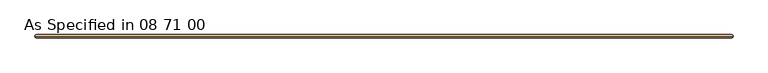
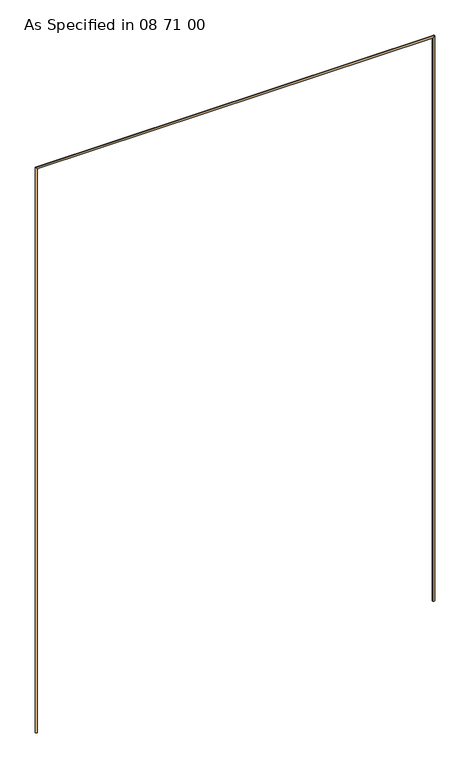
"""IFC4 building model written with IfcOpenShell, lengths in millimetres: door geometry, As Specified in 08 71 00."""

from ifc_helpers import new_model, si_unit, frame, origin, place, context, project, spatial, circle_curve, ellipse_curve, source, transform, mapped, element, save
from ifc_brep_helpers import plane_surface, cylinder_surface, advanced_brep


def as_specified_in_08_71_00_c0d3dd22(model_context):
    return source(origin(), model_context, "Body", "AdvancedBrep", [
        advanced_brep(
        [(21031.0892185, 10841.3858114, 0.0), (21037.4392185, 10841.3858114, 0.0), (21031.0892185, 10841.3858114, 2032.0), (21037.4392185, 10841.3858114, 2025.65), (22388.2892185, 10841.3858114, 0.0), (22381.9392185, 10841.3858114, 0.0), (22388.2892185, 10841.3858114, 2032.0), (22381.9392185, 10841.3858114, 2025.65)],
        [
            (0, 1, circle_curve(frame((21034.2642185, 10841.3858114, 0.0), z_axis=(0.0, 0.0, -1.0), x_axis=(1.0, 0.0, 0.0)), 3.175)),
            (1, 0, circle_curve(frame((21034.2642185, 10841.3858114, 0.0), z_axis=(0.0, 0.0, -1.0), x_axis=(1.0, 0.0, 0.0)), 3.175)),
            (0, 2),
            (2, 3, ellipse_curve(frame((21034.2642185, 10841.3858114, 2028.825), z_axis=(-0.7071067811865475, 0.0, -0.7071067811865475), x_axis=(0.7071067811865474, 0.0, -0.7071067811865476)), 4.4901281, 3.175)),
            (3, 1),
            (3, 2, ellipse_curve(frame((21034.2642185, 10841.3858114, 2028.825), z_axis=(-0.7071067811865475, 0.0, -0.7071067811865475), x_axis=(0.7071067811865474, 0.0, -0.7071067811865476)), 4.4901281, 3.175)),
            (4, 5, circle_curve(frame((22385.1142185, 10841.3858114, 0.0), z_axis=(0.0, 0.0, -1.0), x_axis=(-1.0, 0.0, 0.0)), 3.175)),
            (5, 4, circle_curve(frame((22385.1142185, 10841.3858114, 0.0), z_axis=(0.0, 0.0, -1.0), x_axis=(-1.0, 0.0, 0.0)), 3.175)),
            (6, 7, ellipse_curve(frame((22385.1142185, 10841.3858114, 2028.825), z_axis=(0.7071067811865475, 0.0, -0.7071067811865475), x_axis=(0.7071067811865474, 0.0, 0.7071067811865476)), 4.4901281, 3.175)),
            (7, 5),
            (4, 6),
            (7, 6, ellipse_curve(frame((22385.1142185, 10841.3858114, 2028.825), z_axis=(0.7071067811865475, 0.0, -0.7071067811865475), x_axis=(0.7071067811865474, 0.0, 0.7071067811865476)), 4.4901281, 3.175)),
            (2, 6),
            (7, 3),
        ],
        [
            plane_surface(frame((21031.0892185, 10844.5608114, 0.0), z_axis=(0.0, 0.0, -1.0), x_axis=(0.0, 1.0, 0.0))),
            cylinder_surface(frame((21034.2642185, 10841.3858114, 0.0), z_axis=(0.0, 0.0, -1.0), x_axis=(1.0, 0.0, 0.0)), 3.175),
            plane_surface(frame((22388.2892185, 10844.5608114, 0.0), z_axis=(0.0, 0.0, -1.0), x_axis=(0.0, 1.0, 0.0))),
            cylinder_surface(frame((22385.1142185, 10841.3858114, 2032.0), z_axis=(0.0, 0.0, 1.0), x_axis=(-1.0, 0.0, 0.0)), 3.175),
            cylinder_surface(frame((21031.0892185, 10841.3858114, 2028.825), z_axis=(-1.0, 0.0, 0.0), x_axis=(0.0, 0.0, -1.0)), 3.175),
        ],
        [
            (0, [[1, 2]]),
            (1, [[-1, 3, 4, 5]]),
            (1, [[-2, -5, 6, -3]]),
            (2, [[7, 8]]),
            (3, [[9, 10, -7, 11]]),
            (3, [[12, -11, -8, -10]]),
            (4, [[-4, 13, -12, 14]]),
            (4, [[-6, -14, -9, -13]]),
        ],
    ),
    ])


if __name__ == "__main__":
    model = new_model("IFC4")
    model_context = context("Model", 3, world=origin())
    ifc_project = project(units=[si_unit("LENGTHUNIT", "METRE", prefix="MILLI")], contexts=[model_context])
    site = spatial("IfcSite", under=ifc_project)
    building = spatial("IfcBuilding", under=site)
    placement = place(None, origin())
    as_specified_in_08_71_00_shape = as_specified_in_08_71_00_c0d3dd22(model_context)
    element("IfcDoor", 1, ObjectType="As Specified in 08 71 00", at=placement, inside=building, context=model_context, shape_type="MappedRepresentation", body=[
        mapped(as_specified_in_08_71_00_shape, transform((0.0, 0.0, 0.0), x_axis=(1.0, 0.0, 0.0), y_axis=(0.0, 1.0, 0.0), z_axis=(0.0, 0.0, 1.0))),
    ])
    save(model, "model.ifc")
